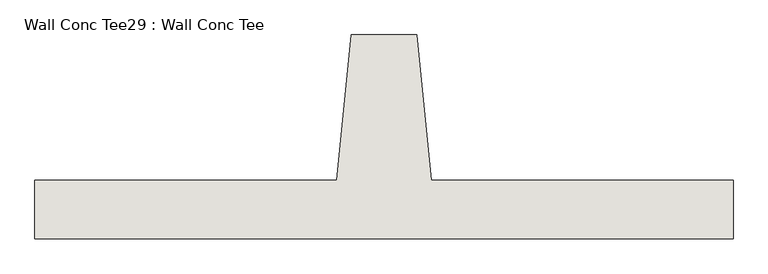
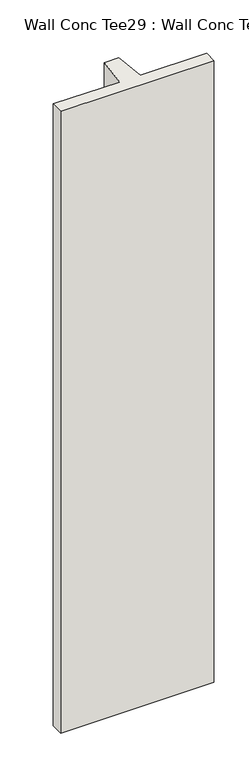
"""IFC4 building model written with IfcOpenShell, lengths in millimetres: wall geometry, Wall Conc Tee29 : Wall Conc Tee."""

import ifcopenshell
import ifcopenshell.guid

model = None  # the IFC model being written
_history = None  # IfcOwnerHistory: only IFC2X3 demands one
_inside = {}  # id of a spatial element -> (the spatial element, [elements in it])
_under = {}  # id of a project, library or spatial element -> (it, [spatial elements below it])
_declared = {}  # id of a project -> (the project, [libraries it declares])
_typed = {}  # id of a type object -> (the type object, [elements of that type])
_made_of = {}  # id of a material, layer set ... -> (it, [elements and type objects made of it])


def new_model(schema):
    """Start an empty IFC model of exactly this schema.

    Asked for "IFC4X3", IfcOpenShell would pick the latest addendum, in which some entities
    have other attributes; the version numbers below select the first issue.
    IFC2X3 requires an IfcOwnerHistory on every rooted entity: one is made here for all.
    """
    global model, _history
    if schema == "IFC4X3":
        model = ifcopenshell.file(schema_version=(4, 3, 0, 0))
    else:
        model = ifcopenshell.file(schema=schema)
    _inside.clear()
    _under.clear()
    _declared.clear()
    _typed.clear()
    _made_of.clear()
    _history = None
    if model.schema == "IFC2X3":
        org = make("IfcOrganization", Name="unknown")
        user = make(
            "IfcPersonAndOrganization",
            ThePerson=make("IfcPerson", FamilyName="unknown"),
            TheOrganization=org,
        )
        app = make(
            "IfcApplication",
            ApplicationDeveloper=org,
            Version="unknown",
            ApplicationFullName="unknown",
            ApplicationIdentifier="unknown",
        )
        _history = make(
            "IfcOwnerHistory",
            OwningUser=user,
            OwningApplication=app,
            ChangeAction="ADDED",
            CreationDate=0,
        )
    return model


def make(cls, **values):
    """One entity of the class cls with the attributes given. An attribute that is None is left unset."""
    return model.create_entity(
        cls, **{name: value for name, value in values.items() if value is not None}
    )


def rooted(cls, **values):
    """An entity with a GlobalId (a new one), such as an element, a storey or a relation."""
    return make(cls, GlobalId=ifcopenshell.guid.new(), OwnerHistory=_history, **values)


def si_unit(unit_type, name, prefix=None):
    """IfcSIUnit, for example si_unit("LENGTHUNIT", "METRE", prefix="MILLI")."""
    return make("IfcSIUnit", UnitType=unit_type, Prefix=prefix, Name=name)


def assignment(units):
    """IfcUnitAssignment: the units of a project."""
    return None if units is None else make("IfcUnitAssignment", Units=units)


def point(xyz):
    """IfcCartesianPoint."""
    return None if xyz is None else make("IfcCartesianPoint", Coordinates=xyz)


def direction(xyz):
    """IfcDirection."""
    return None if xyz is None else make("IfcDirection", DirectionRatios=xyz)


def frame(location, z_axis=None, x_axis=None):
    """IfcAxis2Placement3D, a coordinate frame: its origin and axes. An axis left out is left unset."""
    return make(
        "IfcAxis2Placement3D",
        Location=point(location),
        Axis=direction(z_axis),
        RefDirection=direction(x_axis),
    )


def origin():
    """The frame at (0, 0, 0) with its axes left unset."""
    return frame((0.0, 0.0, 0.0))


def place(relative_to, where):
    """IfcLocalPlacement: puts the frame where relative to a parent placement (None: the world)."""
    return make(
        "IfcLocalPlacement", PlacementRelTo=relative_to, RelativePlacement=where
    )


def context(
    kind, dimensions, precision=None, world=None, true_north=None, identifier=None
):
    """IfcGeometricRepresentationContext, for example the 3D "Model" context."""
    return make(
        "IfcGeometricRepresentationContext",
        ContextIdentifier=identifier,
        ContextType=kind,
        CoordinateSpaceDimension=dimensions,
        Precision=precision,
        WorldCoordinateSystem=world,
        TrueNorth=true_north,
    )


def project(units=None, contexts=None):
    """IfcProject with its units and contexts."""
    return rooted(
        "IfcProject",
        Name="project",
        RepresentationContexts=contexts,
        UnitsInContext=assignment(units),
    )


def spatial(cls, under=None, at=None, **own):
    """A site, building, storey or space (cls), placed at a placement, below another one or the project."""
    s = rooted(cls, ObjectPlacement=at, **own)
    if under is not None:
        _under.setdefault(under.id(), (under, []))[1].append(s)
    return s


def polyline(points):
    """IfcPolyline through the points."""
    return make("IfcPolyline", Points=[point(p) for p in points])


def outline(outer, holes=None, kind="AREA"):
    """IfcArbitraryClosedProfileDef: a profile drawn as a closed curve; with holes, ...WithVoids."""
    if holes is None:
        return make("IfcArbitraryClosedProfileDef", ProfileType=kind, OuterCurve=outer)
    return make(
        "IfcArbitraryProfileDefWithVoids",
        ProfileType=kind,
        OuterCurve=outer,
        InnerCurves=holes,
    )


def extrude(swept, where, along, depth):
    """IfcExtrudedAreaSolid: the profile swept, set in the frame where, extruded along a direction by depth."""
    return make(
        "IfcExtrudedAreaSolid",
        SweptArea=swept,
        Position=where,
        ExtrudedDirection=direction(along),
        Depth=depth,
    )


def shape(context_of_items, identifier, shape_type, items):
    """IfcShapeRepresentation: the items that make up one representation, for example the "Body"."""
    return make(
        "IfcShapeRepresentation",
        ContextOfItems=context_of_items,
        RepresentationIdentifier=identifier,
        RepresentationType=shape_type,
        Items=items,
    )


def source(mapping_origin, context_of_items, identifier, shape_type, items):
    """IfcRepresentationMap: a shape defined once, which mapped items show again and again."""
    return make(
        "IfcRepresentationMap",
        MappingOrigin=mapping_origin,
        MappedRepresentation=shape(context_of_items, identifier, shape_type, items),
    )


def transform(
    local_origin,
    x_axis=None,
    y_axis=None,
    z_axis=None,
    scale=None,
    scale2=None,
    scale3=None,
    uniform=True,
):
    """IfcCartesianTransformationOperator3D, or its non-uniform kind. x_axis, y_axis, z_axis: its Axis1, 2, 3."""
    if uniform:
        return make(
            "IfcCartesianTransformationOperator3D",
            Axis1=direction(x_axis),
            Axis2=direction(y_axis),
            LocalOrigin=point(local_origin),
            Scale=scale,
            Axis3=direction(z_axis),
        )
    return make(
        "IfcCartesianTransformationOperator3DnonUniform",
        Axis1=direction(x_axis),
        Axis2=direction(y_axis),
        LocalOrigin=point(local_origin),
        Scale=scale,
        Axis3=direction(z_axis),
        Scale2=scale2,
        Scale3=scale3,
    )


def mapped(mapping_source, mapping_target):
    """IfcMappedItem: shows the shape of a source again, moved by a transform."""
    return make(
        "IfcMappedItem", MappingSource=mapping_source, MappingTarget=mapping_target
    )


def made_of(thing, what):
    """Note that an element or type object is made of a material, layer set ...; save() writes the relation."""
    if what is not None:
        _made_of.setdefault(what.id(), (what, []))[1].append(thing)
    return thing


def element(
    cls,
    number,
    at=None,
    inside=None,
    cuts=None,
    type_object=None,
    material=None,
    context=None,
    identifier="Body",
    shape_type=None,
    held_by="IfcProductDefinitionShape",
    body=None,
    shapes=None,
    **own,
):
    """One element of the class cls, such as IfcWall. Its Tag is "e" and its number.

    at: its placement. inside: the storey or other place that contains it. cuts: it is an
    opening in that element (IfcRelVoidsElement). A single representation is given by context,
    identifier, shape_type and body (its items); several are given by shapes. held_by: the class
    of the entity that holds the representations. save() writes the other relations.
    """
    e = rooted(cls, Tag="e%d" % number, ObjectPlacement=at, **own)
    if body is not None:
        shapes = [shape(context, identifier, shape_type, body)]
    if shapes is not None:
        e.Representation = make(held_by, Representations=shapes)
    if inside is not None:
        _inside.setdefault(inside.id(), (inside, []))[1].append(e)
    if cuts is not None:
        rooted(
            "IfcRelVoidsElement", RelatingBuildingElement=cuts, RelatedOpeningElement=e
        )
    if type_object is not None:
        _typed.setdefault(type_object.id(), (type_object, []))[1].append(e)
    return made_of(e, material)


def aggregate(whole, parts):
    """IfcRelAggregates: a whole, such as a stair, and the parts it consists of."""
    return rooted("IfcRelAggregates", RelatingObject=whole, RelatedObjects=parts)


def save(model, path):
    """Write the relations noted so far, then the file.

    IfcRelAggregates (storeys below a building ...), IfcRelContainedInSpatialStructure (elements
    in a storey), IfcRelDefinesByType, IfcRelAssociatesMaterial and IfcRelDeclares: one each for
    every whole, place, type object, material and project.
    """
    for whole, parts in _under.values():
        aggregate(whole, parts)
    for where, things in _inside.values():
        rooted(
            "IfcRelContainedInSpatialStructure",
            RelatedElements=things,
            RelatingStructure=where,
        )
    for kind, things in _typed.values():
        rooted("IfcRelDefinesByType", RelatedObjects=things, RelatingType=kind)
    for what, things in _made_of.values():
        rooted("IfcRelAssociatesMaterial", RelatedObjects=things, RelatingMaterial=what)
    for by, libraries in _declared.values():
        rooted("IfcRelDeclares", RelatingContext=by, RelatedDefinitions=libraries)
    model.write(path)


def wall_conc_tee29_wall_conc_tee_e6791d66(model_context):
    return source(origin(), model_context, "Body", "SweptSolid", [
        extrude(outline(polyline([(240653.0728488, 180886.8596581), (239433.8728488, 180886.8596581), (239433.8728488, 180988.4596581), (239960.9228488, 180988.4596581), (239986.3228488, 181242.4596581), (240100.6228488, 181242.4596581), (240126.0228488, 180988.4596581), (240653.0728488, 180988.4596581), (240653.0728488, 180886.8596581)])), frame((0.0, 0.0, 143.7592564), z_axis=(0.0, 0.0, 1.0), x_axis=(1.0, 0.0, 0.0)), (0.0, 0.0, 1.0), 5232.4087123),
    ])


if __name__ == "__main__":
    model = new_model("IFC4")
    model_context = context("Model", 3, world=origin())
    ifc_project = project(units=[si_unit("LENGTHUNIT", "METRE", prefix="MILLI")], contexts=[model_context])
    site = spatial("IfcSite", under=ifc_project)
    building = spatial("IfcBuilding", under=site)
    placement = place(None, origin())
    wall_conc_tee29_wall_conc_tee_shape = wall_conc_tee29_wall_conc_tee_e6791d66(model_context)
    element("IfcWall", 1, ObjectType="Wall Conc Tee29 : Wall Conc Tee", at=placement, inside=building, context=model_context, shape_type="MappedRepresentation", body=[
        mapped(wall_conc_tee29_wall_conc_tee_shape, transform((0.0, 0.0, 0.0), x_axis=(1.0, 0.0, 0.0), y_axis=(0.0, 1.0, 0.0), z_axis=(0.0, 0.0, 1.0))),
    ])
    save(model, "model.ifc")
